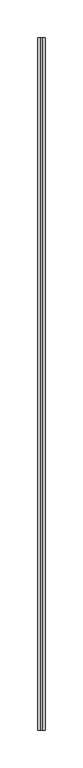
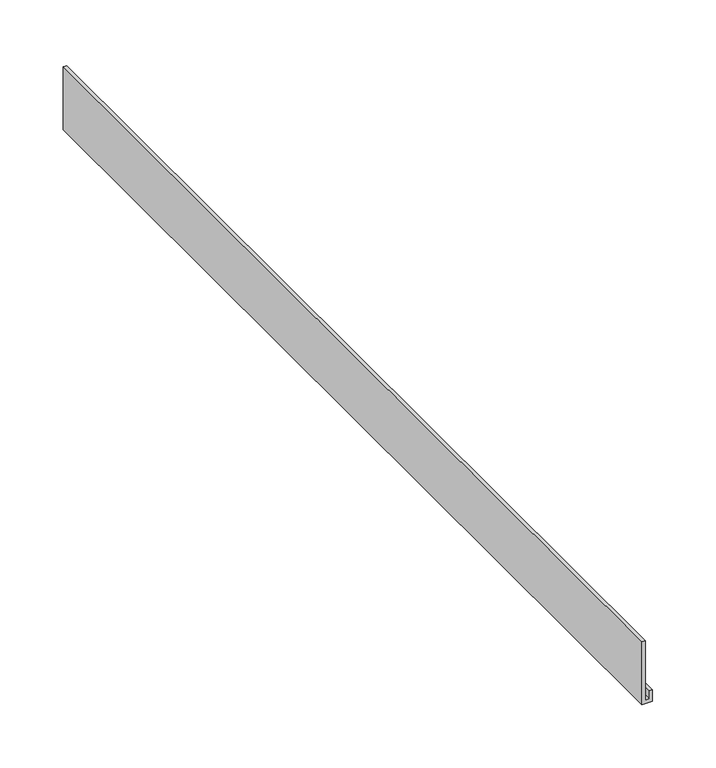
"""IFC4 building model written with IfcOpenShell, lengths in millimetres: proxy geometry."""

from ifc_helpers import new_model, si_unit, frame, origin, place, context, project, spatial, polyline, outline, extrude, source, transform, mapped, element, save


def generic_models_a9a1d65f(model_context):
    return source(origin(), model_context, "Body", "SweptSolid", [
        extrude(outline(polyline([(3125.5168148, 38250.6832595), (3125.5168148, 38247.2359013), (3182.6668148, 38247.2359013), (3182.6668148, 38244.011435), (3122.2037281, 38244.011435), (3122.2037281, 38253.5773517), (3133.2370396, 38253.5773517), (3133.2370396, 38250.6832595), (3125.5168148, 38250.6832595)])), frame((0.0, -25196.3529893, 0.0), z_axis=(0.0, 1.0, 0.0), x_axis=(0.0, 0.0, 1.0)), (0.0, 0.0, 1.0), 914.4),
    ])


if __name__ == "__main__":
    model = new_model("IFC4")
    model_context = context("Model", 3, world=origin())
    ifc_project = project(units=[si_unit("LENGTHUNIT", "METRE", prefix="MILLI")], contexts=[model_context])
    site = spatial("IfcSite", under=ifc_project)
    building = spatial("IfcBuilding", under=site)
    placement = place(None, origin())
    generic_models_shape = generic_models_a9a1d65f(model_context)
    element("IfcBuildingElementProxy", 1, Name="Generic Models", at=placement, inside=building, context=model_context, shape_type="MappedRepresentation", body=[
        mapped(generic_models_shape, transform((0.0, 0.0, 0.0), x_axis=(1.0, 0.0, 0.0), y_axis=(0.0, 1.0, 0.0), z_axis=(0.0, 0.0, 1.0))),
    ])
    save(model, "model.ifc")
